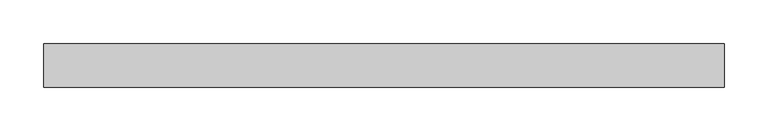
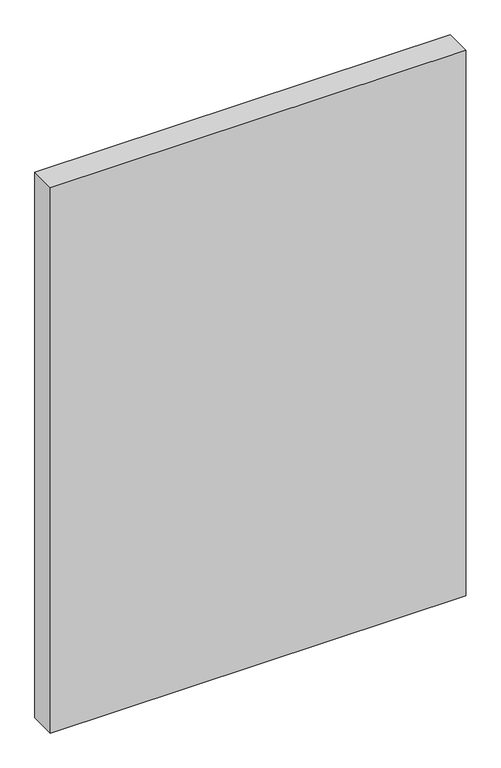
"""IFC4 building model written with IfcOpenShell, lengths in millimetres: plate geometry."""

from ifc_helpers import new_model, si_unit, origin, origin_with_axes, place, context, project, spatial, polyline, outline, extrude, source, transform, mapped, element, save


def plate_1bb4b435(model_context):
    return source(origin(), model_context, "Body", "SweptSolid", [
        extrude(outline(polyline([(390.9084215, -25.0), (-390.9084215, -25.0), (-390.9084215, 25.0), (390.9084215, 25.0), (390.9084215, -25.0)])), origin_with_axes(), (0.0, 0.0, 1.0), 1085.0),
    ])


if __name__ == "__main__":
    model = new_model("IFC4")
    model_context = context("Model", 3, world=origin())
    ifc_project = project(units=[si_unit("LENGTHUNIT", "METRE", prefix="MILLI")], contexts=[model_context])
    site = spatial("IfcSite", under=ifc_project)
    building = spatial("IfcBuilding", under=site)
    placement = place(None, origin())
    plate_shape = plate_1bb4b435(model_context)
    element("IfcPlate", 1, at=placement, inside=building, context=model_context, shape_type="MappedRepresentation", body=[
        mapped(plate_shape, transform((0.0, 0.0, 0.0), x_axis=(1.0, 0.0, 0.0), y_axis=(0.0, 1.0, 0.0), z_axis=(0.0, 0.0, 1.0))),
    ])
    save(model, "model.ifc")
